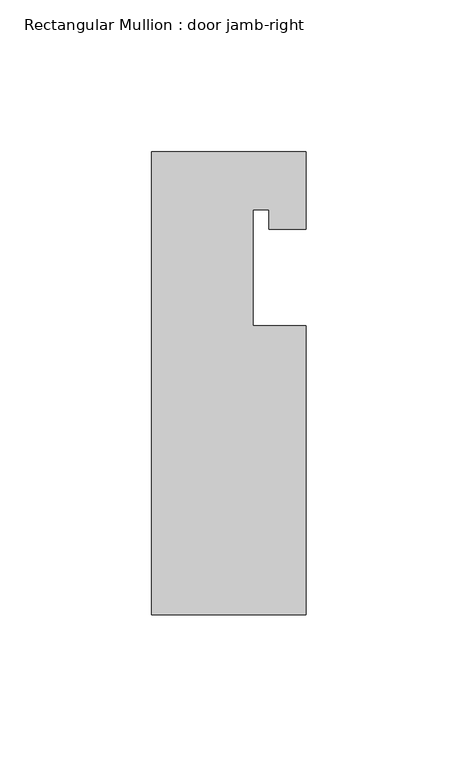
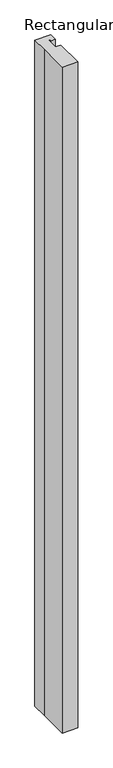
"""IFC4 building model written with IfcOpenShell, lengths in millimetres: member geometry, Rectangular Mullion : door jamb-right."""

from ifc_helpers import new_model, si_unit, frame, origin, place, context, project, spatial, polyline, outline, extrude, source, transform, mapped, element, save


def rectangular_mullion_door_jamb_right_72ab6259(model_context):
    return source(origin(), model_context, "Body", "SweptSolid", [
        extrude(outline(polyline([(25.4, -146.05), (-25.4, -146.05), (-25.4, -45.8947778), (-25.4, 6.35), (25.4, 6.35), (25.4, -19.05), (13.208, -19.05), (13.208, -12.7), (7.9502, -12.7), (7.9502, -50.8), (25.4, -50.8), (25.4, -146.05)])), frame((0.0, 0.0, -2286.0), z_axis=(0.0, 0.0, 1.0), x_axis=(1.0, 0.0, 0.0)), (0.0, 0.0, 1.0), 2286.0),
    ])


if __name__ == "__main__":
    model = new_model("IFC4")
    model_context = context("Model", 3, world=origin())
    ifc_project = project(units=[si_unit("LENGTHUNIT", "METRE", prefix="MILLI")], contexts=[model_context])
    site = spatial("IfcSite", under=ifc_project)
    building = spatial("IfcBuilding", under=site)
    placement = place(None, origin())
    rectangular_mullion_door_jamb_right_shape = rectangular_mullion_door_jamb_right_72ab6259(model_context)
    element("IfcMember", 1, ObjectType="Rectangular Mullion : door jamb-right", at=placement, inside=building, context=model_context, shape_type="MappedRepresentation", body=[
        mapped(rectangular_mullion_door_jamb_right_shape, transform((0.0, 0.0, 0.0), x_axis=(1.0, 0.0, 0.0), y_axis=(0.0, 1.0, 0.0), z_axis=(0.0, 0.0, 1.0))),
    ])
    save(model, "model.ifc")
